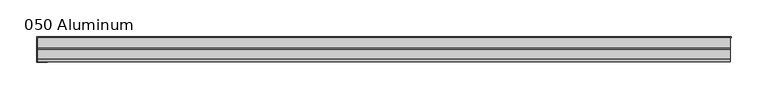
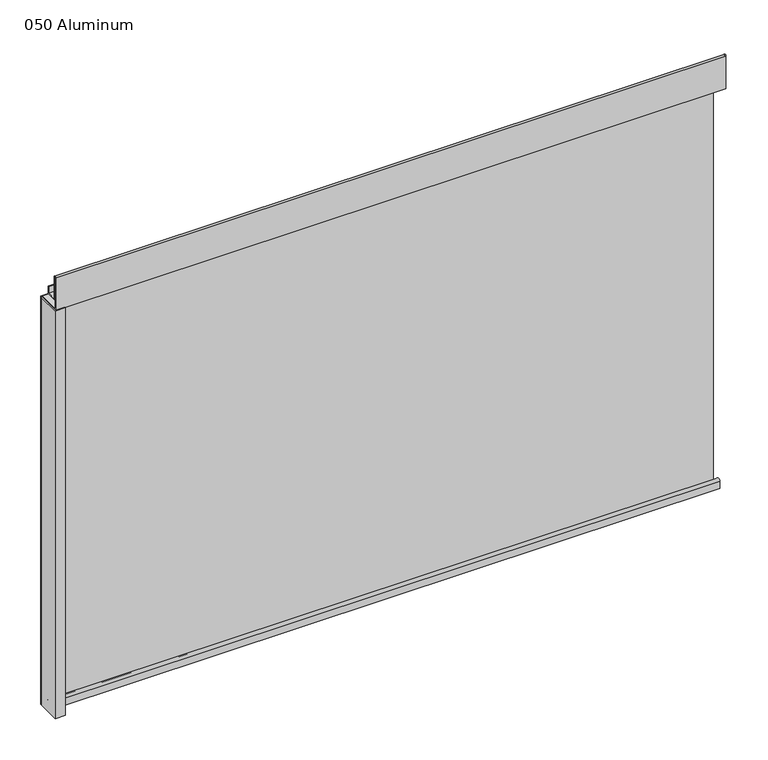
"""IFC4 building model written with IfcOpenShell, lengths in millimetres: plate geometry, 050 Aluminum."""

from ifc_helpers import new_model, si_unit, point, frame, frame_2d, origin, origin_with_axes, place, context, project, spatial, polyline, circle_curve, trimmed, segment, composite_curve, outline, extrude, source, transform, mapped, element, save


def plate_050_aluminum_0a1deac4(model_context):
    return source(origin(), model_context, "Body", "SweptSolid", [
        extrude(outline(polyline([(-472.5875079, 2.5660257), (-459.6970074, 2.5660257), (-459.6970074, 1.2699999), (-473.8575079, 1.2699999), (-473.8575079, 34.7980001), (-472.5875079, 34.7980001), (-472.5875079, 2.5660257)])), origin_with_axes(), (0.0, 0.0, 1.0), 608.33),
        extrude(outline(composite_curve([segment(trimmed(circle_curve(frame_2d((19.8514743, 13.124237)), 3.175), [point((16.6765477, 13.1458337))], [point((23.0264743, 13.124237))], False, "CARTESIAN"), True, "CONTINUOUS"), segment(polyline([(23.0264743, 13.124237), (23.0264743, 1.2693678), (34.7980002, 1.2693678), (34.7980002, 0.0), (21.7564743, 0.0), (21.7564743, 13.124237)]), True, "CONTINUOUS"), segment(trimmed(circle_curve(frame_2d((19.8514743, 13.124237)), 1.905), [point((21.7564743, 13.124237))], [point((17.9464915, 13.1323356))], True, "CARTESIAN"), True, "CONTINUOUS"), segment(polyline([(17.9464915, 13.1323356), (17.9464915, 2.786437), (16.6765477, 2.786437), (16.6765477, 13.1458337)]), True, "CONTINUOUS")], self_intersect=False)), frame((-472.5875079, 0.0, 0.0), z_axis=(1.0, 0.0, 0.0), x_axis=(0.0, 1.0, 0.0)), (0.0, 0.0, 1.0), 945.1750159),
        extrude(outline(composite_curve([segment(trimmed(circle_curve(frame_2d((3.7084742, 656.7932001)), 1.6509999), [point((2.0574743, 656.7932001))], [point((5.3594742, 656.7932001))], False, "CARTESIAN"), True, "CONTINUOUS"), segment(polyline([(5.3594742, 656.7932001), (5.3594742, 623.57), (19.2164743, 623.57), (19.2164743, 633.6538), (20.4864742, 633.6538), (20.4864742, 622.3), (4.0894742, 622.3), (4.0894742, 656.7932001)]), True, "CONTINUOUS"), segment(trimmed(circle_curve(frame_2d((3.7084742, 656.7932001)), 0.3809999), [point((4.0894742, 656.7932001))], [point((3.3274743, 656.7932001))], True, "CARTESIAN"), True, "CONTINUOUS"), segment(polyline([(3.3274743, 656.7932001), (3.3274743, 609.6000001), (34.7980002, 609.6000001), (34.7980002, 608.33), (2.0574743, 608.33), (2.0574743, 656.7932001)]), True, "CONTINUOUS")], self_intersect=False)), frame((-472.5875079, 0.0, 0.0), z_axis=(1.0, 0.0, 0.0), x_axis=(0.0, 1.0, 0.0)), (0.0, 0.0, 1.0), 945.1750159),
        extrude(outline(polyline([(-473.8575079, 36.068), (473.8575079, 36.068), (473.8575079, 34.7980001), (-473.8575079, 34.7980001), (-473.8575079, 36.068)])), origin_with_axes(), (0.0, 0.0, 1.0), 609.6),
    ])


if __name__ == "__main__":
    model = new_model("IFC4")
    model_context = context("Model", 3, world=origin())
    ifc_project = project(units=[si_unit("LENGTHUNIT", "METRE", prefix="MILLI")], contexts=[model_context])
    site = spatial("IfcSite", under=ifc_project)
    building = spatial("IfcBuilding", under=site)
    placement = place(None, origin())
    plate_050_aluminum_shape = plate_050_aluminum_0a1deac4(model_context)
    element("IfcPlate", 1, ObjectType="050 Aluminum", at=placement, inside=building, context=model_context, shape_type="MappedRepresentation", body=[
        mapped(plate_050_aluminum_shape, transform((0.0, 0.0, 0.0), x_axis=(1.0, 0.0, 0.0), y_axis=(0.0, 1.0, 0.0), z_axis=(0.0, 0.0, 1.0))),
    ])
    save(model, "model.ifc")
